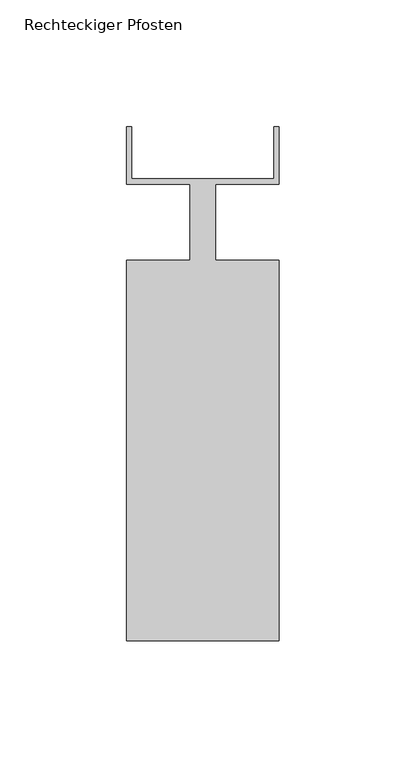
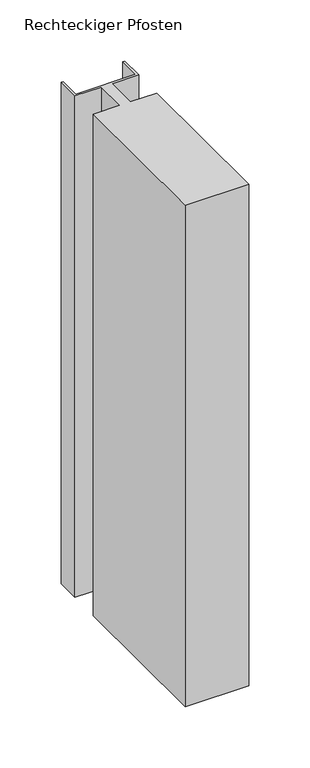
"""IFC4 building model written with IfcOpenShell, lengths in millimetres: member geometry, Rechteckiger Pfosten."""

from ifc_helpers import new_model, si_unit, frame, origin, place, context, project, spatial, polyline, outline, extrude, source, transform, mapped, element, save


def rechteckiger_pfosten_691ca18a(model_context):
    return source(origin(), model_context, "Body", "SweptSolid", [
        extrude(outline(polyline([(-2.0, 37.5), (0.0, 37.5), (0.0, 15.0), (-25.0, 15.0), (-25.0, -15.0), (0.0, -15.0), (0.0, -165.0), (-60.0, -165.0), (-60.0, -15.0), (-35.0, -15.0), (-35.0, 15.0), (-60.0, 15.0), (-60.0, 37.5), (-58.0, 37.5), (-58.0, 17.0), (-2.0, 17.0), (-2.0, 37.5)])), frame((0.0, 0.0, -500.0), z_axis=(0.0, 0.0, 1.0), x_axis=(1.0, 0.0, 0.0)), (0.0, 0.0, 1.0), 500.0),
    ])


if __name__ == "__main__":
    model = new_model("IFC4")
    model_context = context("Model", 3, world=origin())
    ifc_project = project(units=[si_unit("LENGTHUNIT", "METRE", prefix="MILLI")], contexts=[model_context])
    site = spatial("IfcSite", under=ifc_project)
    building = spatial("IfcBuilding", under=site)
    placement = place(None, origin())
    rechteckiger_pfosten_shape = rechteckiger_pfosten_691ca18a(model_context)
    element("IfcMember", 1, ObjectType="Rechteckiger Pfosten", at=placement, inside=building, context=model_context, shape_type="MappedRepresentation", body=[
        mapped(rechteckiger_pfosten_shape, transform((0.0, 0.0, 0.0), x_axis=(1.0, 0.0, 0.0), y_axis=(0.0, 1.0, 0.0), z_axis=(0.0, 0.0, 1.0))),
    ])
    save(model, "model.ifc")
